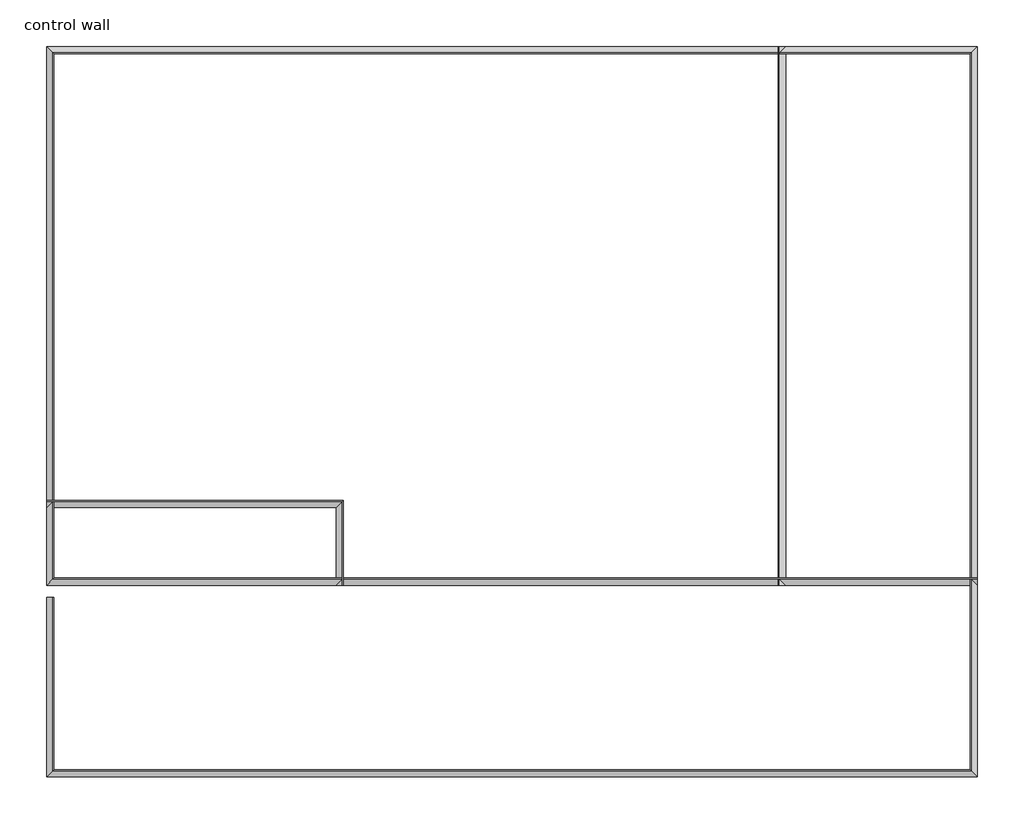
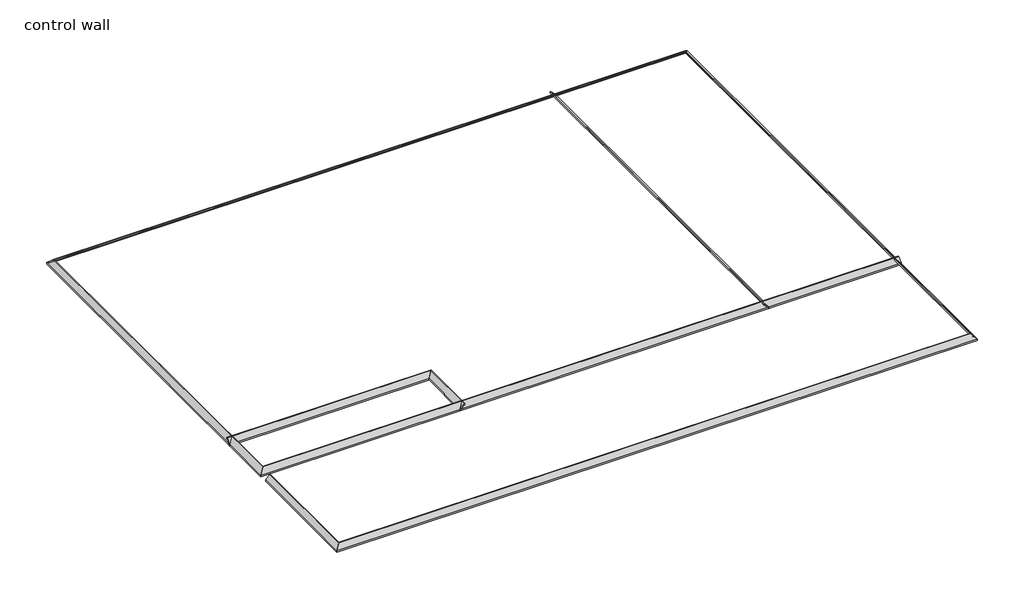
# One storey: 9 proxies.
"""IFC4 building model written with IfcOpenShell, lengths in millimetres."""

from ifc_helpers import new_model, si_unit, point, frame, frame_2d, origin, place, context, project, spatial, polyline, circle_curve, ellipse_curve, trimmed, segment, composite_curve, outline, extrude, element, save
from ifc_brep_helpers import plane_surface, cylinder_surface, revolved_surface, advanced_brep

model = new_model("IFC4")

# Units and contexts
model_context = context("Model", 3, world=origin())
ifc_project = project(units=[si_unit("LENGTHUNIT", "METRE", prefix="MILLI")], contexts=[model_context])

# Site, building, storey
site = spatial("IfcSite", under=ifc_project)
building = spatial("IfcBuilding", under=site)
storey = spatial("IfcBuildingStorey", under=building, Name="control wall", Elevation=2133.6)

# Proxies
placement = place(None, origin())
element("IfcBuildingElementProxy", 1, Name="Wall Sweeps", at=placement, inside=storey, context=model_context, shape_type="AdvancedBrep", body=[
    advanced_brep(
    [(3665.5941977, 1820.4834573, 2982.9793892), (3600.5735869, 1755.4628465, 3048.0), (3592.4708889, 1747.3601485, 3048.0), (3592.4708889, 1747.3601485, 3028.95), (3602.0941977, 1756.9834573, 3028.95), (3622.6188776, 1777.5081372, 3008.4253202), (3643.1435574, 1798.032817, 2987.9006403), (3643.1435574, 1798.032817, 2981.5506403), (3656.6139416, 1811.5032012, 2968.0802561), (3656.6139416, 1811.5032012, 2959.1), (3665.5941977, 1820.4834573, 2959.1), (-5808.6058023, 1820.4834573, 2982.9793892), (-5808.6058023, 1820.4834573, 2959.1), (-5799.6255461, 1811.5032012, 2959.1), (-5799.6255461, 1811.5032012, 2968.0802561), (-5786.155162, 1798.032817, 2981.5506403), (-5786.155162, 1798.032817, 2987.9006403), (-5765.6304821, 1777.5081372, 3008.4253202), (-5745.1058023, 1756.9834573, 3028.95), (-5735.4824935, 1747.3601485, 3028.95), (-5735.4824935, 1747.3601485, 3048.0), (-5743.5851914, 1755.4628465, 3048.0)],
    [
        (0, 1),
        (1, 2),
        (2, 3),
        (3, 4),
        (4, 5, ellipse_curve(frame((3602.0941977, 1756.9834573, 3008.4253202), z_axis=(-0.7071067811865458, 0.7071067811865493, 0.0), x_axis=(-0.7071067811865491, -0.7071067811865458, 0.0)), 29.0262806, 20.5246798)),
        (5, 6, ellipse_curve(frame((3643.1435574, 1798.032817, 3008.4253202), z_axis=(0.7071067811865458, -0.7071067811865493, 0.0), x_axis=(0.7071067811865491, 0.7071067811865458, 0.0)), 29.0262806, 20.5246798)),
        (6, 7),
        (7, 8, ellipse_curve(frame((3643.1435574, 1798.032817, 2968.0802561), z_axis=(-0.7071067811865458, 0.7071067811865493, 0.0), x_axis=(-0.7071067811865491, -0.7071067811865458, 0.0)), 19.05, 13.4703842)),
        (8, 9),
        (9, 10),
        (10, 0),
        (11, 12),
        (12, 13),
        (13, 14),
        (14, 15, ellipse_curve(frame((-5786.155162, 1798.032817, 2968.0802561), z_axis=(0.7071067811865489, 0.7071067811865462, 0.0), x_axis=(-0.7071067811865461, 0.7071067811865489, 0.0)), 19.05, 13.4703842)),
        (15, 16),
        (16, 17, ellipse_curve(frame((-5786.155162, 1798.032817, 3008.4253202), z_axis=(-0.7071067811865489, -0.7071067811865462, 0.0), x_axis=(0.7071067811865461, -0.7071067811865489, 0.0)), 29.0262806, 20.5246798)),
        (17, 18, ellipse_curve(frame((-5745.1058023, 1756.9834573, 3008.4253202), z_axis=(0.7071067811865489, 0.7071067811865462, 0.0), x_axis=(-0.7071067811865461, 0.7071067811865489, 0.0)), 29.0262806, 20.5246798)),
        (18, 19),
        (19, 20),
        (20, 21),
        (21, 11),
        (1, 21),
        (20, 2),
        (10, 12),
        (11, 0),
        (19, 3),
        (18, 4),
        (17, 5),
        (16, 6),
        (15, 7),
        (14, 8),
        (13, 9),
    ],
    [
        plane_surface(frame((3665.5941977, 1820.4834573, 2654.3), z_axis=(0.7071067811865458, -0.7071067811865493, 0.0), x_axis=(-0.7071067811865493, -0.7071067811865458, 0.0))),
        plane_surface(frame((-5808.6058023, 1820.4834573, 2654.3), z_axis=(-0.7071067811865489, -0.7071067811865462, 0.0), x_axis=(0.7071067811865462, -0.7071067811865489, 0.0))),
        plane_surface(frame((3600.5735869, 1755.4628465, 3048.0), z_axis=(0.0, 0.0, 1.0), x_axis=(-1.0, 0.0, 0.0))),
        plane_surface(frame((3665.5941977, 1820.4834573, 2959.1), z_axis=(0.0, 1.0, 0.0), x_axis=(-1.0, 0.0, 0.0))),
        plane_surface(frame((3665.5941977, 1820.4834573, 2982.9793892), z_axis=(0.0, 0.707106781186547, 0.707106781186548), x_axis=(-1.0, 0.0, 0.0))),
        plane_surface(frame((3592.4708889, 1747.3601485, 3048.0), z_axis=(0.0, -1.0, 0.0), x_axis=(-1.0, 0.0, 0.0))),
        plane_surface(frame((3592.4708889, 1747.3601485, 3028.95), z_axis=(0.0, 0.0, -1.0), x_axis=(-1.0, 0.0, 0.0))),
        revolved_surface(polyline([(-5765.630482144885, 1736.4587775, 3008.4253202), (3622.6188776, 1736.4587775, 3008.4253202)]), (3665.5941977, 1756.9834573, 3008.4253202), (-1.0, 0.0, 0.0)),
        cylinder_surface(frame((3665.5941977, 1798.032817, 3008.4253202), z_axis=(1.0, 0.0, 0.0), x_axis=(0.0, -1.0, 0.0)), 20.5246798),
        plane_surface(frame((3643.1435574, 1798.032817, 2987.9006403), z_axis=(0.0, -1.0, 0.0), x_axis=(-1.0, 0.0, 0.0))),
        revolved_surface(polyline([(-5799.625546181604, 1784.5624328000001, 2968.0802561), (3656.6139416, 1784.5624328000001, 2968.0802561)]), (3665.5941977, 1798.032817, 2968.0802561), (-1.0, 0.0, 0.0)),
        plane_surface(frame((3656.6139416, 1811.5032012, 2968.0802561), z_axis=(0.0, -1.0, 0.0), x_axis=(-1.0, 0.0, 0.0))),
        plane_surface(frame((3656.6139416, 1811.5032012, 2959.1), z_axis=(0.0, 0.0, -1.0), x_axis=(-1.0, 0.0, 0.0))),
    ],
    [
        (0, [[1, 2, 3, 4, 5, 6, 7, 8, 9, 10, 11]]),
        (1, [[12, 13, 14, 15, 16, 17, 18, 19, 20, 21, 22]]),
        (2, [[-2, 23, -21, 24]]),
        (3, [[-11, 25, -12, 26]]),
        (4, [[-1, -26, -22, -23]]),
        (5, [[-3, -24, -20, 27]]),
        (6, [[-4, -27, -19, 28]]),
        (7, [[-5, -28, -18, 29]]),
        (8, [[-6, -29, -17, 30]]),
        (9, [[-7, -30, -16, 31]]),
        (10, [[-8, -31, -15, 32]]),
        (11, [[-9, -32, -14, 33]]),
        (12, [[-10, -33, -13, -25]]),
    ],
),
])
element("IfcBuildingElementProxy", 2, Name="Wall Sweeps", at=placement, inside=storey, context=model_context, shape_type="AdvancedBrep", body=[
    advanced_brep(
    [(-5808.6058023, 1820.4834573, 2982.9793892), (-5743.5851914, 1755.4628465, 3048.0), (-5735.4824935, 1747.3601485, 3048.0), (-5735.4824935, 1747.3601485, 3028.95), (-5745.1058023, 1756.9834573, 3028.95), (-5765.6304821, 1777.5081372, 3008.4253202), (-5786.155162, 1798.032817, 2987.9006403), (-5786.155162, 1798.032817, 2981.5506403), (-5799.6255461, 1811.5032012, 2968.0802561), (-5799.6255461, 1811.5032012, 2959.1), (-5808.6058023, 1820.4834573, 2959.1), (-5808.6058023, -3665.9165427, 2982.9793892), (-5808.6058023, -3665.9165427, 2959.1), (-5799.6255461, -3656.9362866, 2959.1), (-5799.6255461, -3656.9362866, 2968.0802561), (-5786.155162, -3643.4659024, 2981.5506403), (-5786.155162, -3643.4659024, 2987.9006403), (-5765.6304821, -3622.9412225, 3008.4253202), (-5745.1058023, -3602.4165427, 3028.95), (-5735.4824935, -3592.7932339, 3028.95), (-5735.4824935, -3592.7932339, 3048.0), (-5743.5851914, -3600.8959319, 3048.0)],
    [
        (0, 1),
        (1, 2),
        (2, 3),
        (3, 4),
        (4, 5, ellipse_curve(frame((-5745.1058023, 1756.9834573, 3008.4253202), z_axis=(-0.7071067811865489, -0.7071067811865462, 0.0), x_axis=(0.7071067811865464, -0.7071067811865487, 0.0)), 29.0262806, 20.5246798)),
        (5, 6, ellipse_curve(frame((-5786.155162, 1798.032817, 3008.4253202), z_axis=(0.7071067811865489, 0.7071067811865462, 0.0), x_axis=(-0.7071067811865464, 0.7071067811865487, 0.0)), 29.0262806, 20.5246798)),
        (6, 7),
        (7, 8, ellipse_curve(frame((-5786.155162, 1798.032817, 2968.0802561), z_axis=(-0.7071067811865489, -0.7071067811865462, 0.0), x_axis=(0.7071067811865464, -0.7071067811865487, 0.0)), 19.05, 13.4703842)),
        (8, 9),
        (9, 10),
        (10, 0),
        (11, 12),
        (12, 13),
        (13, 14),
        (14, 15, ellipse_curve(frame((-5786.155162, -3643.4659024, 2968.0802561), z_axis=(-0.7071067811865458, 0.7071067811865493, 0.0), x_axis=(-0.7071067811865492, -0.7071067811865457, 0.0)), 19.05, 13.4703842)),
        (15, 16),
        (16, 17, ellipse_curve(frame((-5786.155162, -3643.4659024, 3008.4253202), z_axis=(0.7071067811865458, -0.7071067811865493, 0.0), x_axis=(0.7071067811865492, 0.7071067811865457, 0.0)), 29.0262806, 20.5246798)),
        (17, 18, ellipse_curve(frame((-5745.1058023, -3602.4165427, 3008.4253202), z_axis=(-0.7071067811865458, 0.7071067811865493, 0.0), x_axis=(-0.7071067811865492, -0.7071067811865457, 0.0)), 29.0262806, 20.5246798)),
        (18, 19),
        (19, 20),
        (20, 21),
        (21, 11),
        (1, 21),
        (20, 2),
        (10, 12),
        (11, 0),
        (19, 3),
        (18, 4),
        (17, 5),
        (16, 6),
        (15, 7),
        (14, 8),
        (13, 9),
    ],
    [
        plane_surface(frame((-5808.6058023, 1820.4834573, 2654.3), z_axis=(0.7071067811865489, 0.7071067811865462, 0.0), x_axis=(0.7071067811865462, -0.7071067811865489, 0.0))),
        plane_surface(frame((-5808.6058023, -3665.9165427, 2654.3), z_axis=(0.7071067811865458, -0.7071067811865493, 0.0), x_axis=(0.7071067811865493, 0.7071067811865458, 0.0))),
        plane_surface(frame((-5743.5851914, 1755.4628465, 3048.0), z_axis=(0.0, 0.0, 1.0), x_axis=(0.0, -1.0, 0.0))),
        plane_surface(frame((-5808.6058023, 1820.4834573, 2959.1), z_axis=(-1.0, 0.0, 0.0), x_axis=(0.0, -1.0, 0.0))),
        plane_surface(frame((-5808.6058023, 1820.4834573, 2982.9793892), z_axis=(-0.707106781186547, 0.0, 0.707106781186548), x_axis=(0.0, -1.0, 0.0))),
        plane_surface(frame((-5735.4824935, 1747.3601485, 3048.0), z_axis=(1.0, 0.0, 0.0), x_axis=(0.0, -1.0, 0.0))),
        plane_surface(frame((-5735.4824935, 1747.3601485, 3028.95), z_axis=(0.0, 0.0, -1.0), x_axis=(0.0, -1.0, 0.0))),
        revolved_surface(polyline([(-5724.5811225, -3622.941222544883, 3008.4253202), (-5724.5811225, 1777.5081372, 3008.4253202)]), (-5745.1058023, 1820.4834573, 3008.4253202), (0.0, -1.0, 0.0)),
        cylinder_surface(frame((-5786.155162, 1820.4834573, 3008.4253202), z_axis=(0.0, 1.0, 0.0), x_axis=(1.0, 0.0, 0.0)), 20.5246798),
        plane_surface(frame((-5786.155162, 1798.032817, 2987.9006403), z_axis=(1.0, 0.0, 0.0), x_axis=(0.0, -1.0, 0.0))),
        revolved_surface(polyline([(-5772.6847778, -3656.9362866, 2968.0802561), (-5772.6847778, 1811.5032012, 2968.0802561)]), (-5786.155162, 1820.4834573, 2968.0802561), (0.0, -1.0, 0.0)),
        plane_surface(frame((-5799.6255461, 1811.5032012, 2968.0802561), z_axis=(1.0, 0.0, 0.0), x_axis=(0.0, -1.0, 0.0))),
        plane_surface(frame((-5799.6255461, 1811.5032012, 2959.1), z_axis=(0.0, 0.0, -1.0), x_axis=(0.0, -1.0, 0.0))),
    ],
    [
        (0, [[1, 2, 3, 4, 5, 6, 7, 8, 9, 10, 11]]),
        (1, [[12, 13, 14, 15, 16, 17, 18, 19, 20, 21, 22]]),
        (2, [[-2, 23, -21, 24]]),
        (3, [[-11, 25, -12, 26]]),
        (4, [[-1, -26, -22, -23]]),
        (5, [[-3, -24, -20, 27]]),
        (6, [[-4, -27, -19, 28]]),
        (7, [[-5, -28, -18, 29]]),
        (8, [[-6, -29, -17, 30]]),
        (9, [[-7, -30, -16, 31]]),
        (10, [[-8, -31, -15, 32]]),
        (11, [[-9, -32, -14, 33]]),
        (12, [[-10, -33, -13, -25]]),
    ],
),
])
element("IfcBuildingElementProxy", 3, Name="Wall Sweeps", at=placement, inside=storey, context=model_context, shape_type="AdvancedBrep", body=[
    advanced_brep(
    [(3665.5941977, -5618.5415427, 2982.9793892), (3665.5941977, -5618.5415427, 2959.1), (3656.6139416, -5609.5612866, 2959.1), (3656.6139416, -5609.5612866, 2968.0802561), (3643.1435574, -5596.0909024, 2981.5506403), (3643.1435574, -5596.0909024, 2987.9006403), (3622.6188776, -5575.5662225, 3008.4253202), (3602.0941977, -5555.0415427, 3028.95), (3592.4708889, -5545.4182339, 3028.95), (3592.4708889, -5545.4182339, 3048.0), (3600.5735869, -5553.5209319, 3048.0), (-5808.7799708, -5618.5415427, 2982.9793892), (-5743.7593599, -5553.5209319, 3048.0), (-5735.656662, -5545.4182339, 3048.0), (-5735.656662, -5545.4182339, 3028.95), (-5745.2799708, -5555.0415427, 3028.95), (-5765.8046506, -5575.5662225, 3008.4253202), (-5786.3293305, -5596.0909024, 2987.9006403), (-5786.3293305, -5596.0909024, 2981.5506403), (-5799.7997146, -5609.5612866, 2968.0802561), (-5799.7997146, -5609.5612866, 2959.1), (-5808.7799708, -5618.5415427, 2959.1)],
    [
        (0, 1),
        (1, 2),
        (2, 3),
        (3, 4, ellipse_curve(frame((3643.1435574, -5596.0909024, 2968.0802561), z_axis=(-0.7071067811865493, -0.7071067811865458, 0.0), x_axis=(-0.7071067811865457, 0.7071067811865495, 0.0)), 19.05, 13.4703842)),
        (4, 5),
        (5, 6, ellipse_curve(frame((3643.1435574, -5596.0909024, 3008.4253202), z_axis=(0.7071067811865493, 0.7071067811865458, 0.0), x_axis=(0.7071067811865457, -0.7071067811865495, 0.0)), 29.0262806, 20.5246798)),
        (6, 7, ellipse_curve(frame((3602.0941977, -5555.0415427, 3008.4253202), z_axis=(-0.7071067811865493, -0.7071067811865458, 0.0), x_axis=(-0.7071067811865457, 0.7071067811865495, 0.0)), 29.0262806, 20.5246798)),
        (7, 8),
        (8, 9),
        (9, 10),
        (10, 0),
        (11, 12),
        (12, 13),
        (13, 14),
        (14, 15),
        (15, 16, ellipse_curve(frame((-5745.2799708, -5555.0415427, 3008.4253202), z_axis=(0.7071067811865458, -0.7071067811865493, 0.0), x_axis=(-0.7071067811865492, -0.7071067811865457, 0.0)), 29.0262806, 20.5246798)),
        (16, 17, ellipse_curve(frame((-5786.3293305, -5596.0909024, 3008.4253202), z_axis=(-0.7071067811865458, 0.7071067811865493, 0.0), x_axis=(0.7071067811865492, 0.7071067811865457, 0.0)), 29.0262806, 20.5246798)),
        (17, 18),
        (18, 19, ellipse_curve(frame((-5786.3293305, -5596.0909024, 2968.0802561), z_axis=(0.7071067811865458, -0.7071067811865493, 0.0), x_axis=(-0.7071067811865492, -0.7071067811865457, 0.0)), 19.05, 13.4703842)),
        (19, 20),
        (20, 21),
        (21, 11),
        (0, 11),
        (21, 1),
        (9, 13),
        (12, 10),
        (20, 2),
        (19, 3),
        (18, 4),
        (17, 5),
        (16, 6),
        (15, 7),
        (14, 8),
    ],
    [
        plane_surface(frame((3665.5941977, -5618.5415427, 3263.9), z_axis=(0.7071067811865493, 0.7071067811865458, 0.0), x_axis=(-0.7071067811865458, 0.7071067811865493, 0.0))),
        plane_surface(frame((-5808.7799708, -5618.5415427, 3263.9), z_axis=(-0.7071067811865458, 0.7071067811865493, 0.0), x_axis=(0.7071067811865493, 0.7071067811865458, 0.0))),
        plane_surface(frame((3665.5941977, -5618.5415427, 2982.9793892), z_axis=(0.0, -1.0, 0.0), x_axis=(-1.0, 0.0, 0.0))),
        plane_surface(frame((3592.4708889, -5545.4182339, 3048.0), z_axis=(0.0, 0.0, 1.0), x_axis=(-1.0, 0.0, 0.0))),
        plane_surface(frame((3665.5941977, -5618.5415427, 2959.1), z_axis=(0.0, 0.0, -1.0), x_axis=(-1.0, 0.0, 0.0))),
        plane_surface(frame((3656.6139416, -5609.5612866, 2959.1), z_axis=(0.0, 1.0, 0.0), x_axis=(-1.0, 0.0, 0.0))),
        revolved_surface(polyline([(-5799.799714681605, -5582.6205182, 2968.0802561), (3656.6139416, -5582.6205182, 2968.0802561)]), (3665.5941977, -5596.0909024, 2968.0802561), (-1.0, 0.0, 0.0)),
        plane_surface(frame((3643.1435574, -5596.0909024, 2981.5506403), z_axis=(0.0, 1.0, 0.0), x_axis=(-1.0, 0.0, 0.0))),
        cylinder_surface(frame((3665.5941977, -5596.0909024, 3008.4253202), z_axis=(1.0, 0.0, 0.0), x_axis=(0.0, 1.0, 0.0)), 20.5246798),
        revolved_surface(polyline([(-5765.8046506448845, -5534.5168629, 3008.4253202), (3622.6188776, -5534.5168629, 3008.4253202)]), (3665.5941977, -5555.0415427, 3008.4253202), (-1.0, 0.0, 0.0)),
        plane_surface(frame((3602.0941977, -5555.0415427, 3028.95), z_axis=(0.0, 0.0, -1.0), x_axis=(-1.0, 0.0, 0.0))),
        plane_surface(frame((3592.4708889, -5545.4182339, 3028.95), z_axis=(0.0, 1.0, 0.0), x_axis=(-1.0, 0.0, 0.0))),
        plane_surface(frame((3600.5735869, -5553.5209319, 3048.0), z_axis=(0.0, -0.707106781186547, 0.707106781186548), x_axis=(-1.0, 0.0, 0.0))),
    ],
    [
        (0, [[1, 2, 3, 4, 5, 6, 7, 8, 9, 10, 11]]),
        (1, [[12, 13, 14, 15, 16, 17, 18, 19, 20, 21, 22]]),
        (2, [[-1, 23, -22, 24]]),
        (3, [[-10, 25, -13, 26]]),
        (4, [[-2, -24, -21, 27]]),
        (5, [[-3, -27, -20, 28]]),
        (6, [[-4, -28, -19, 29]]),
        (7, [[-5, -29, -18, 30]]),
        (8, [[-6, -30, -17, 31]]),
        (9, [[-7, -31, -16, 32]]),
        (10, [[-8, -32, -15, 33]]),
        (11, [[-9, -33, -14, -25]]),
        (12, [[-11, -26, -12, -23]]),
    ],
),
])
element("IfcBuildingElementProxy", 4, Name="Wall Sweeps", at=placement, inside=storey, context=model_context, shape_type="AdvancedBrep", body=[
    advanced_brep(
    [(-5808.7799708, -5618.5415427, 2982.9793892), (-5808.7799708, -5618.5415427, 2959.1), (-5799.7997146, -5609.5612866, 2959.1), (-5799.7997146, -5609.5612866, 2968.0802561), (-5786.3293305, -5596.0909024, 2981.5506403), (-5786.3293305, -5596.0909024, 2987.9006403), (-5765.8046506, -5575.5662225, 3008.4253202), (-5745.2799708, -5555.0415427, 3028.95), (-5735.656662, -5545.4182339, 3028.95), (-5735.656662, -5545.4182339, 3048.0), (-5743.7593599, -5553.5209319, 3048.0), (-5808.7799708, -3789.7415427, 2982.9793892), (-5743.7593599, -3789.7415427, 3048.0), (-5735.656662, -3789.7415427, 3048.0), (-5735.656662, -3789.7415427, 3028.95), (-5745.2799708, -3789.7415427, 3028.95), (-5765.8046506, -3789.7415427, 3008.4253202), (-5786.3293305, -3789.7415427, 2987.9006403), (-5786.3293305, -3789.7415427, 2981.5506403), (-5799.7997146, -3789.7415427, 2968.0802561), (-5799.7997146, -3789.7415427, 2959.1), (-5808.7799708, -3789.7415427, 2959.1)],
    [
        (0, 1),
        (1, 2),
        (2, 3),
        (3, 4, ellipse_curve(frame((-5786.3293305, -5596.0909024, 2968.0802561), z_axis=(-0.7071067811865458, 0.7071067811865493, 0.0), x_axis=(0.7071067811865495, 0.7071067811865457, 0.0)), 19.05, 13.4703842)),
        (4, 5),
        (5, 6, ellipse_curve(frame((-5786.3293305, -5596.0909024, 3008.4253202), z_axis=(0.7071067811865458, -0.7071067811865493, 0.0), x_axis=(-0.7071067811865495, -0.7071067811865457, 0.0)), 29.0262806, 20.5246798)),
        (6, 7, ellipse_curve(frame((-5745.2799708, -5555.0415427, 3008.4253202), z_axis=(-0.7071067811865458, 0.7071067811865493, 0.0), x_axis=(0.7071067811865495, 0.7071067811865457, 0.0)), 29.0262806, 20.5246798)),
        (7, 8),
        (8, 9),
        (9, 10),
        (10, 0),
        (11, 12),
        (12, 13),
        (13, 14),
        (14, 15),
        (15, 16, circle_curve(frame((-5745.2799708, -3789.7415427, 3008.4253202), z_axis=(0.0, -1.0, 0.0), x_axis=(1.0, 0.0, 0.0)), 20.5246798)),
        (16, 17, circle_curve(frame((-5786.3293305, -3789.7415427, 3008.4253202), z_axis=(0.0, 1.0, 0.0), x_axis=(1.0, 0.0, 0.0)), 20.5246798)),
        (17, 18),
        (18, 19, circle_curve(frame((-5786.3293305, -3789.7415427, 2968.0802561), z_axis=(0.0, -1.0, 0.0), x_axis=(1.0, 0.0, 0.0)), 13.4703842)),
        (19, 20),
        (20, 21),
        (21, 11),
        (0, 11),
        (21, 1),
        (9, 13),
        (12, 10),
        (20, 2),
        (19, 3),
        (18, 4),
        (17, 5),
        (16, 6),
        (15, 7),
        (14, 8),
    ],
    [
        plane_surface(frame((-5808.7799708, -5618.5415427, 3263.9), z_axis=(0.7071067811865458, -0.7071067811865493, 0.0), x_axis=(0.7071067811865493, 0.7071067811865458, 0.0))),
        plane_surface(frame((-5923.8896067, -3789.7415427, 2959.1), z_axis=(0.0, 1.0, 0.0), x_axis=(0.0, 0.0, 1.0))),
        plane_surface(frame((-5808.7799708, -5618.5415427, 2982.9793892), z_axis=(-1.0, 0.0, 0.0), x_axis=(0.0, 1.0, 0.0))),
        plane_surface(frame((-5735.656662, -5545.4182339, 3048.0), z_axis=(0.0, 0.0, 1.0), x_axis=(0.0, 1.0, 0.0))),
        plane_surface(frame((-5808.7799708, -5618.5415427, 2959.1), z_axis=(0.0, 0.0, -1.0), x_axis=(0.0, 1.0, 0.0))),
        plane_surface(frame((-5799.7997146, -5609.5612866, 2959.1), z_axis=(1.0, 0.0, 0.0), x_axis=(0.0, 1.0, 0.0))),
        revolved_surface(polyline([(-5772.8589463, -3789.7415427, 2968.0802561), (-5772.8589463, -5609.5612866, 2968.0802561)]), (-5786.3293305, -5618.5415427, 2968.0802561), (0.0, 1.0, 0.0)),
        plane_surface(frame((-5786.3293305, -5596.0909024, 2981.5506403), z_axis=(1.0, 0.0, 0.0), x_axis=(0.0, 1.0, 0.0))),
        cylinder_surface(frame((-5786.3293305, -5618.5415427, 3008.4253202), z_axis=(0.0, -1.0, 0.0), x_axis=(1.0, 0.0, 0.0)), 20.5246798),
        revolved_surface(polyline([(-5724.755291, -3789.7415427, 3008.4253202), (-5724.755291, -5575.566222544883, 3008.4253202)]), (-5745.2799708, -5618.5415427, 3008.4253202), (0.0, 1.0, 0.0)),
        plane_surface(frame((-5745.2799708, -5555.0415427, 3028.95), z_axis=(0.0, 0.0, -1.0), x_axis=(0.0, 1.0, 0.0))),
        plane_surface(frame((-5735.656662, -5545.4182339, 3028.95), z_axis=(1.0, 0.0, 0.0), x_axis=(0.0, 1.0, 0.0))),
        plane_surface(frame((-5743.7593599, -5553.5209319, 3048.0), z_axis=(-0.707106781186547, 0.0, 0.707106781186548), x_axis=(0.0, 1.0, 0.0))),
    ],
    [
        (0, [[1, 2, 3, 4, 5, 6, 7, 8, 9, 10, 11]]),
        (1, [[12, 13, 14, 15, 16, 17, 18, 19, 20, 21, 22]]),
        (2, [[-1, 23, -22, 24]]),
        (3, [[-10, 25, -13, 26]]),
        (4, [[-2, -24, -21, 27]]),
        (5, [[-3, -27, -20, 28]]),
        (6, [[-4, -28, -19, 29]]),
        (7, [[-5, -29, -18, 30]]),
        (8, [[-6, -30, -17, 31]]),
        (9, [[-7, -31, -16, 32]]),
        (10, [[-8, -32, -15, 33]]),
        (11, [[-9, -33, -14, -25]]),
        (12, [[-11, -26, -12, -23]]),
    ],
),
])
element("IfcBuildingElementProxy", 5, Name="Wall Sweeps", at=placement, inside=storey, context=model_context, shape_type="AdvancedBrep", body=[
    advanced_brep(
    [(-5808.6058023, -2875.3415427, 2982.9793892), (-5808.6058023, -2810.3209319, 3048.0), (-5808.6058023, -2802.2182339, 3048.0), (-5808.6058023, -2802.2182339, 3028.95), (-5808.6058023, -2811.8415427, 3028.95), (-5808.6058023, -2832.3662225, 3008.4253202), (-5808.6058023, -2852.8909024, 2987.9006403), (-5808.6058023, -2852.8909024, 2981.5506403), (-5808.6058023, -2866.3612866, 2968.0802561), (-5808.6058023, -2866.3612866, 2959.1), (-5808.6058023, -2875.3415427, 2959.1), (-2862.2058023, -2875.3415427, 2982.9793892), (-2862.2058023, -2875.3415427, 2959.1), (-2853.2255461, -2866.3612866, 2959.1), (-2853.2255461, -2866.3612866, 2968.0802561), (-2839.755162, -2852.8909024, 2981.5506403), (-2839.755162, -2852.8909024, 2987.9006403), (-2819.2304821, -2832.3662225, 3008.4253202), (-2798.7058023, -2811.8415427, 3028.95), (-2789.0824935, -2802.2182339, 3028.95), (-2789.0824935, -2802.2182339, 3048.0), (-2797.1851914, -2810.3209319, 3048.0)],
    [
        (0, 1),
        (1, 2),
        (2, 3),
        (3, 4),
        (4, 5, circle_curve(frame((-5808.6058023, -2811.8415427, 3008.4253202), z_axis=(1.0, 0.0, 0.0), x_axis=(0.0, 1.0, 0.0)), 20.5246798)),
        (5, 6, circle_curve(frame((-5808.6058023, -2852.8909024, 3008.4253202), z_axis=(-1.0, 0.0, 0.0), x_axis=(0.0, 1.0, 0.0)), 20.5246798)),
        (6, 7),
        (7, 8, circle_curve(frame((-5808.6058023, -2852.8909024, 2968.0802561), z_axis=(1.0, 0.0, 0.0), x_axis=(0.0, 1.0, 0.0)), 13.4703842)),
        (8, 9),
        (9, 10),
        (10, 0),
        (11, 12),
        (12, 13),
        (13, 14),
        (14, 15, ellipse_curve(frame((-2839.755162, -2852.8909024, 2968.0802561), z_axis=(-0.7071067811865458, 0.7071067811865493, 0.0), x_axis=(0.7071067811865492, 0.7071067811865458, 0.0)), 19.05, 13.4703842)),
        (15, 16),
        (16, 17, ellipse_curve(frame((-2839.755162, -2852.8909024, 3008.4253202), z_axis=(0.7071067811865458, -0.7071067811865493, 0.0), x_axis=(-0.7071067811865492, -0.7071067811865458, 0.0)), 29.0262806, 20.5246798)),
        (17, 18, ellipse_curve(frame((-2798.7058023, -2811.8415427, 3008.4253202), z_axis=(-0.7071067811865458, 0.7071067811865493, 0.0), x_axis=(0.7071067811865492, 0.7071067811865458, 0.0)), 29.0262806, 20.5246798)),
        (18, 19),
        (19, 20),
        (20, 21),
        (21, 11),
        (1, 21),
        (20, 2),
        (10, 12),
        (11, 0),
        (19, 3),
        (18, 4),
        (17, 5),
        (16, 6),
        (15, 7),
        (14, 8),
        (13, 9),
    ],
    [
        plane_surface(frame((-5808.6058023, -2875.3415427, 2843.990364), z_axis=(-1.0, 0.0, 0.0), x_axis=(0.0, 1.0, 0.0))),
        plane_surface(frame((-2862.2058023, -2875.3415427, 3263.9), z_axis=(0.7071067811865458, -0.7071067811865493, 0.0), x_axis=(-0.7071067811865493, -0.7071067811865458, 0.0))),
        plane_surface(frame((-5808.6058023, -2810.3209319, 3048.0), z_axis=(0.0, 0.0, 1.0), x_axis=(1.0, 0.0, 0.0))),
        plane_surface(frame((-5808.6058023, -2875.3415427, 2959.1), z_axis=(0.0, -1.0, 0.0), x_axis=(1.0, 0.0, 0.0))),
        plane_surface(frame((-5808.6058023, -2875.3415427, 2982.9793892), z_axis=(0.0, -0.707106781186547, 0.707106781186548), x_axis=(1.0, 0.0, 0.0))),
        plane_surface(frame((-5808.6058023, -2802.2182339, 3048.0), z_axis=(0.0, 1.0, 0.0), x_axis=(1.0, 0.0, 0.0))),
        plane_surface(frame((-5808.6058023, -2802.2182339, 3028.95), z_axis=(0.0, 0.0, -1.0), x_axis=(1.0, 0.0, 0.0))),
        revolved_surface(polyline([(-2778.1811224551166, -2791.3168629, 3008.4253202), (-5808.6058023, -2791.3168629, 3008.4253202)]), (-5808.6058023, -2811.8415427, 3008.4253202), (1.0, 0.0, 0.0)),
        cylinder_surface(frame((-5808.6058023, -2852.8909024, 3008.4253202), z_axis=(-1.0, 0.0, 0.0), x_axis=(0.0, 1.0, 0.0)), 20.5246798),
        plane_surface(frame((-5808.6058023, -2852.8909024, 2987.9006403), z_axis=(0.0, 1.0, 0.0), x_axis=(1.0, 0.0, 0.0))),
        revolved_surface(polyline([(-2826.2847778183964, -2839.4205182, 2968.0802561), (-5808.6058023, -2839.4205182, 2968.0802561)]), (-5808.6058023, -2852.8909024, 2968.0802561), (1.0, 0.0, 0.0)),
        plane_surface(frame((-5808.6058023, -2866.3612866, 2968.0802561), z_axis=(0.0, 1.0, 0.0), x_axis=(1.0, 0.0, 0.0))),
        plane_surface(frame((-5808.6058023, -2866.3612866, 2959.1), z_axis=(0.0, 0.0, -1.0), x_axis=(1.0, 0.0, 0.0))),
    ],
    [
        (0, [[1, 2, 3, 4, 5, 6, 7, 8, 9, 10, 11]]),
        (1, [[12, 13, 14, 15, 16, 17, 18, 19, 20, 21, 22]]),
        (2, [[-2, 23, -21, 24]]),
        (3, [[-11, 25, -12, 26]]),
        (4, [[-1, -26, -22, -23]]),
        (5, [[-3, -24, -20, 27]]),
        (6, [[-4, -27, -19, 28]]),
        (7, [[-5, -28, -18, 29]]),
        (8, [[-6, -29, -17, 30]]),
        (9, [[-7, -30, -16, 31]]),
        (10, [[-8, -31, -15, 32]]),
        (11, [[-9, -32, -14, 33]]),
        (12, [[-10, -33, -13, -25]]),
    ],
),
])
element("IfcBuildingElementProxy", 6, Name="Wall Sweeps", at=placement, inside=storey, context=model_context, shape_type="AdvancedBrep", body=[
    advanced_brep(
    [(-2862.2058023, -2875.3415427, 2982.9793892), (-2797.1851914, -2810.3209319, 3048.0), (-2789.0824935, -2802.2182339, 3048.0), (-2789.0824935, -2802.2182339, 3028.95), (-2798.7058023, -2811.8415427, 3028.95), (-2819.2304821, -2832.3662225, 3008.4253202), (-2839.755162, -2852.8909024, 2987.9006403), (-2839.755162, -2852.8909024, 2981.5506403), (-2853.2255461, -2866.3612866, 2968.0802561), (-2853.2255461, -2866.3612866, 2959.1), (-2862.2058023, -2875.3415427, 2959.1), (-2862.2058023, -3665.9165427, 2982.9793892), (-2862.2058023, -3665.9165427, 2959.1), (-2853.2255461, -3665.9165427, 2959.1), (-2853.2255461, -3665.9165427, 2968.0802561), (-2839.755162, -3665.9165427, 2981.5506403), (-2839.755162, -3665.9165427, 2987.9006403), (-2819.2304821, -3665.9165427, 3008.4253202), (-2798.7058023, -3665.9165427, 3028.95), (-2789.0824935, -3665.9165427, 3028.95), (-2789.0824935, -3665.9165427, 3048.0), (-2797.1851914, -3665.9165427, 3048.0)],
    [
        (0, 1),
        (1, 2),
        (2, 3),
        (3, 4),
        (4, 5, ellipse_curve(frame((-2798.7058023, -2811.8415427, 3008.4253202), z_axis=(0.7071067811865458, -0.7071067811865493, 0.0), x_axis=(-0.7071067811865495, -0.7071067811865457, 0.0)), 29.0262806, 20.5246798)),
        (5, 6, ellipse_curve(frame((-2839.755162, -2852.8909024, 3008.4253202), z_axis=(-0.7071067811865458, 0.7071067811865493, 0.0), x_axis=(0.7071067811865495, 0.7071067811865457, 0.0)), 29.0262806, 20.5246798)),
        (6, 7),
        (7, 8, ellipse_curve(frame((-2839.755162, -2852.8909024, 2968.0802561), z_axis=(0.7071067811865458, -0.7071067811865493, 0.0), x_axis=(-0.7071067811865495, -0.7071067811865457, 0.0)), 19.05, 13.4703842)),
        (8, 9),
        (9, 10),
        (10, 0),
        (11, 12),
        (12, 13),
        (13, 14),
        (14, 15, circle_curve(frame((-2839.755162, -3665.9165427, 2968.0802561), z_axis=(0.0, 1.0, 0.0), x_axis=(1.0, 0.0, 0.0)), 13.4703842)),
        (15, 16),
        (16, 17, circle_curve(frame((-2839.755162, -3665.9165427, 3008.4253202), z_axis=(0.0, -1.0, 0.0), x_axis=(1.0, 0.0, 0.0)), 20.5246798)),
        (17, 18, circle_curve(frame((-2798.7058023, -3665.9165427, 3008.4253202), z_axis=(0.0, 1.0, 0.0), x_axis=(1.0, 0.0, 0.0)), 20.5246798)),
        (18, 19),
        (19, 20),
        (20, 21),
        (21, 11),
        (1, 21),
        (20, 2),
        (10, 12),
        (11, 0),
        (19, 3),
        (18, 4),
        (17, 5),
        (16, 6),
        (15, 7),
        (14, 8),
        (13, 9),
    ],
    [
        plane_surface(frame((-2862.2058023, -2875.3415427, 3263.9), z_axis=(-0.7071067811865458, 0.7071067811865493, 0.0), x_axis=(-0.7071067811865493, -0.7071067811865458, 0.0))),
        plane_surface(frame((-2977.3154382, -3665.9165427, 2959.1), z_axis=(0.0, -1.0, 0.0), x_axis=(0.0, 0.0, -1.0))),
        plane_surface(frame((-2797.1851914, -2810.3209319, 3048.0), z_axis=(0.0, 0.0, 1.0), x_axis=(0.0, -1.0, 0.0))),
        plane_surface(frame((-2862.2058023, -2875.3415427, 2959.1), z_axis=(-1.0, 0.0, 0.0), x_axis=(0.0, -1.0, 0.0))),
        plane_surface(frame((-2862.2058023, -2875.3415427, 2982.9793892), z_axis=(-0.707106781186547, 0.0, 0.707106781186548), x_axis=(0.0, -1.0, 0.0))),
        plane_surface(frame((-2789.0824935, -2802.2182339, 3048.0), z_axis=(1.0, 0.0, 0.0), x_axis=(0.0, -1.0, 0.0))),
        plane_surface(frame((-2789.0824935, -2802.2182339, 3028.95), z_axis=(0.0, 0.0, -1.0), x_axis=(0.0, -1.0, 0.0))),
        revolved_surface(polyline([(-2778.1811225, -3665.9165427, 3008.4253202), (-2778.1811225, -2791.3168628551166, 3008.4253202)]), (-2798.7058023, -2875.3415427, 3008.4253202), (0.0, -1.0, 0.0)),
        cylinder_surface(frame((-2839.755162, -2875.3415427, 3008.4253202), z_axis=(0.0, 1.0, 0.0), x_axis=(1.0, 0.0, 0.0)), 20.5246798),
        plane_surface(frame((-2839.755162, -2852.8909024, 2987.9006403), z_axis=(1.0, 0.0, 0.0), x_axis=(0.0, -1.0, 0.0))),
        revolved_surface(polyline([(-2826.2847778, -3665.9165427, 2968.0802561), (-2826.2847778, -2839.4205182183964, 2968.0802561)]), (-2839.755162, -2875.3415427, 2968.0802561), (0.0, -1.0, 0.0)),
        plane_surface(frame((-2853.2255461, -2866.3612866, 2968.0802561), z_axis=(1.0, 0.0, 0.0), x_axis=(0.0, -1.0, 0.0))),
        plane_surface(frame((-2853.2255461, -2866.3612866, 2959.1), z_axis=(0.0, 0.0, -1.0), x_axis=(0.0, -1.0, 0.0))),
    ],
    [
        (0, [[1, 2, 3, 4, 5, 6, 7, 8, 9, 10, 11]]),
        (1, [[12, 13, 14, 15, 16, 17, 18, 19, 20, 21, 22]]),
        (2, [[-2, 23, -21, 24]]),
        (3, [[-11, 25, -12, 26]]),
        (4, [[-1, -26, -22, -23]]),
        (5, [[-3, -24, -20, 27]]),
        (6, [[-4, -27, -19, 28]]),
        (7, [[-5, -28, -18, 29]]),
        (8, [[-6, -29, -17, 30]]),
        (9, [[-7, -30, -16, 31]]),
        (10, [[-8, -31, -15, 32]]),
        (11, [[-9, -32, -14, 33]]),
        (12, [[-10, -33, -13, -25]]),
    ],
),
])
element("IfcBuildingElementProxy", 7, Name="Wall Sweeps", at=placement, inside=storey, context=model_context, shape_type="AdvancedBrep", body=[
    advanced_brep(
    [(3665.5941977, -3665.9165427, 2982.9793892), (3665.5941977, -3665.9165427, 2959.1), (3665.5941977, -3656.9362866, 2959.1), (3665.5941977, -3656.9362866, 2968.0802561), (3665.5941977, -3643.4659024, 2981.5506403), (3665.5941977, -3643.4659024, 2987.9006403), (3665.5941977, -3622.9412225, 3008.4253202), (3665.5941977, -3602.4165427, 3028.95), (3665.5941977, -3592.7932339, 3028.95), (3665.5941977, -3592.7932339, 3048.0), (3665.5941977, -3600.8959319, 3048.0), (-5808.6058023, -3665.9165427, 2982.9793892), (-5743.5851914, -3600.8959319, 3048.0), (-5735.4824935, -3592.7932339, 3048.0), (-5735.4824935, -3592.7932339, 3028.95), (-5745.1058023, -3602.4165427, 3028.95), (-5765.6304821, -3622.9412225, 3008.4253202), (-5786.155162, -3643.4659024, 2987.9006403), (-5786.155162, -3643.4659024, 2981.5506403), (-5799.6255461, -3656.9362866, 2968.0802561), (-5799.6255461, -3656.9362866, 2959.1), (-5808.6058023, -3665.9165427, 2959.1)],
    [
        (0, 1),
        (1, 2),
        (2, 3),
        (3, 4, circle_curve(frame((3665.5941977, -3643.4659024, 2968.0802561), z_axis=(-1.0, 0.0, 0.0), x_axis=(0.0, 1.0, 0.0)), 13.4703842)),
        (4, 5),
        (5, 6, circle_curve(frame((3665.5941977, -3643.4659024, 3008.4253202), z_axis=(1.0, 0.0, 0.0), x_axis=(0.0, 1.0, 0.0)), 20.5246798)),
        (6, 7, circle_curve(frame((3665.5941977, -3602.4165427, 3008.4253202), z_axis=(-1.0, 0.0, 0.0), x_axis=(0.0, 1.0, 0.0)), 20.5246798)),
        (7, 8),
        (8, 9),
        (9, 10),
        (10, 0),
        (11, 12),
        (12, 13),
        (13, 14),
        (14, 15),
        (15, 16, ellipse_curve(frame((-5745.1058023, -3602.4165427, 3008.4253202), z_axis=(0.7071067811865458, -0.7071067811865493, 0.0), x_axis=(-0.7071067811865491, -0.7071067811865458, 0.0)), 29.0262806, 20.5246798)),
        (16, 17, ellipse_curve(frame((-5786.155162, -3643.4659024, 3008.4253202), z_axis=(-0.7071067811865458, 0.7071067811865493, 0.0), x_axis=(0.7071067811865491, 0.7071067811865458, 0.0)), 29.0262806, 20.5246798)),
        (17, 18),
        (18, 19, ellipse_curve(frame((-5786.155162, -3643.4659024, 2968.0802561), z_axis=(0.7071067811865458, -0.7071067811865493, 0.0), x_axis=(-0.7071067811865491, -0.7071067811865458, 0.0)), 19.05, 13.4703842)),
        (19, 20),
        (20, 21),
        (21, 11),
        (0, 11),
        (21, 1),
        (20, 2),
        (19, 3),
        (18, 4),
        (17, 5),
        (16, 6),
        (15, 7),
        (14, 8),
        (13, 9),
        (12, 10),
    ],
    [
        plane_surface(frame((3665.5941977, -3665.9165427, 2843.990364), z_axis=(1.0, 0.0, 0.0), x_axis=(0.0, -1.0, 0.0))),
        plane_surface(frame((-5808.6058023, -3665.9165427, 3263.9), z_axis=(-0.7071067811865458, 0.7071067811865493, 0.0), x_axis=(0.7071067811865493, 0.7071067811865458, 0.0))),
        plane_surface(frame((3665.5941977, -3665.9165427, 2982.9793892), z_axis=(0.0, -1.0, 0.0), x_axis=(-1.0, 0.0, 0.0))),
        plane_surface(frame((3665.5941977, -3665.9165427, 2959.1), z_axis=(0.0, 0.0, -1.0), x_axis=(-1.0, 0.0, 0.0))),
        plane_surface(frame((3665.5941977, -3656.9362866, 2959.1), z_axis=(0.0, 1.0, 0.0), x_axis=(-1.0, 0.0, 0.0))),
        revolved_surface(polyline([(-5799.625546181604, -3629.9955182, 2968.0802561), (3665.5941977, -3629.9955182, 2968.0802561)]), (3665.5941977, -3643.4659024, 2968.0802561), (-1.0, 0.0, 0.0)),
        plane_surface(frame((3665.5941977, -3643.4659024, 2981.5506403), z_axis=(0.0, 1.0, 0.0), x_axis=(-1.0, 0.0, 0.0))),
        cylinder_surface(frame((3665.5941977, -3643.4659024, 3008.4253202), z_axis=(1.0, 0.0, 0.0), x_axis=(0.0, 1.0, 0.0)), 20.5246798),
        revolved_surface(polyline([(-5765.630482144885, -3581.8918629, 3008.4253202), (3665.5941977, -3581.8918629, 3008.4253202)]), (3665.5941977, -3602.4165427, 3008.4253202), (-1.0, 0.0, 0.0)),
        plane_surface(frame((3665.5941977, -3602.4165427, 3028.95), z_axis=(0.0, 0.0, -1.0), x_axis=(-1.0, 0.0, 0.0))),
        plane_surface(frame((3665.5941977, -3592.7932339, 3028.95), z_axis=(0.0, 1.0, 0.0), x_axis=(-1.0, 0.0, 0.0))),
        plane_surface(frame((3665.5941977, -3592.7932339, 3048.0), z_axis=(0.0, 0.0, 1.0), x_axis=(-1.0, 0.0, 0.0))),
        plane_surface(frame((3665.5941977, -3600.8959319, 3048.0), z_axis=(0.0, -0.707106781186547, 0.707106781186548), x_axis=(-1.0, 0.0, 0.0))),
    ],
    [
        (0, [[1, 2, 3, 4, 5, 6, 7, 8, 9, 10, 11]]),
        (1, [[12, 13, 14, 15, 16, 17, 18, 19, 20, 21, 22]]),
        (2, [[-1, 23, -22, 24]]),
        (3, [[-2, -24, -21, 25]]),
        (4, [[-3, -25, -20, 26]]),
        (5, [[-4, -26, -19, 27]]),
        (6, [[-5, -27, -18, 28]]),
        (7, [[-6, -28, -17, 29]]),
        (8, [[-7, -29, -16, 30]]),
        (9, [[-8, -30, -15, 31]]),
        (10, [[-9, -31, -14, 32]]),
        (11, [[-10, -32, -13, 33]]),
        (12, [[-11, -33, -12, -23]]),
    ],
),
])
element("IfcBuildingElementProxy", 8, Name="Wall Sweeps", at=placement, inside=storey, context=model_context, shape_type="SweptSolid", body=[
    extrude(outline(composite_curve([segment(polyline([(2982.9793892, 1712.9691977), (3048.0, 1647.9485869), (3048.0, 1639.8458889), (3028.95, 1639.8458889), (3028.95, 1649.4691977)]), True, "CONTINUOUS"), segment(trimmed(circle_curve(frame_2d((3008.4253202, 1649.4691977)), 20.5246798), [point((3028.95, 1649.4691977))], [point((3008.4253202, 1669.9938776))], True, "CARTESIAN"), True, "CONTINUOUS"), segment(trimmed(circle_curve(frame_2d((3008.4253202, 1690.5185574)), 20.5246798), [point((3008.4253202, 1669.9938776))], [point((2987.9006403, 1690.5185574))], False, "CARTESIAN"), True, "CONTINUOUS"), segment(polyline([(2987.9006403, 1690.5185574), (2981.5506403, 1690.5185574)]), True, "CONTINUOUS"), segment(trimmed(circle_curve(frame_2d((2968.0802561, 1690.5185574)), 13.4703842), [point((2981.5506403, 1690.5185574))], [point((2968.0802561, 1703.9889416))], True, "CARTESIAN"), True, "CONTINUOUS"), segment(polyline([(2968.0802561, 1703.9889416), (2959.1, 1703.9889416), (2959.1, 1712.9691977), (2982.9793892, 1712.9691977)]), True, "CONTINUOUS")], self_intersect=False)), frame((0.0, -3665.9165427, 0.0), z_axis=(0.0, 1.0, 0.0), x_axis=(0.0, 0.0, 1.0)), (0.0, 0.0, 1.0), 5486.4),
])
element("IfcBuildingElementProxy", 9, Name="Wall Sweeps", at=placement, inside=storey, context=model_context, shape_type="AdvancedBrep", body=[
    advanced_brep(
    [(3665.5941977, 1820.4834573, 2982.9793892), (3665.5941977, 1820.4834573, 2959.1), (3656.6139416, 1811.5032012, 2959.1), (3656.6139416, 1811.5032012, 2968.0802561), (3643.1435574, 1798.032817, 2981.5506403), (3643.1435574, 1798.032817, 2987.9006403), (3622.6188776, 1777.5081372, 3008.4253202), (3602.0941977, 1756.9834573, 3028.95), (3592.4708889, 1747.3601485, 3028.95), (3592.4708889, 1747.3601485, 3048.0), (3600.5735869, 1755.4628465, 3048.0), (3665.5941977, -5618.5415427, 2982.9793892), (3600.5735869, -5553.5209319, 3048.0), (3592.4708889, -5545.4182339, 3048.0), (3592.4708889, -5545.4182339, 3028.95), (3602.0941977, -5555.0415427, 3028.95), (3622.6188776, -5575.5662225, 3008.4253202), (3643.1435574, -5596.0909024, 2987.9006403), (3643.1435574, -5596.0909024, 2981.5506403), (3656.6139416, -5609.5612866, 2968.0802561), (3656.6139416, -5609.5612866, 2959.1), (3665.5941977, -5618.5415427, 2959.1)],
    [
        (0, 1),
        (1, 2),
        (2, 3),
        (3, 4, ellipse_curve(frame((3643.1435574, 1798.032817, 2968.0802561), z_axis=(0.7071067811865458, -0.7071067811865493, 0.0), x_axis=(-0.7071067811865493, -0.7071067811865456, 0.0)), 19.05, 13.4703842)),
        (4, 5),
        (5, 6, ellipse_curve(frame((3643.1435574, 1798.032817, 3008.4253202), z_axis=(-0.7071067811865458, 0.7071067811865493, 0.0), x_axis=(0.7071067811865493, 0.7071067811865456, 0.0)), 29.0262806, 20.5246798)),
        (6, 7, ellipse_curve(frame((3602.0941977, 1756.9834573, 3008.4253202), z_axis=(0.7071067811865458, -0.7071067811865493, 0.0), x_axis=(-0.7071067811865493, -0.7071067811865456, 0.0)), 29.0262806, 20.5246798)),
        (7, 8),
        (8, 9),
        (9, 10),
        (10, 0),
        (11, 12),
        (12, 13),
        (13, 14),
        (14, 15),
        (15, 16, ellipse_curve(frame((3602.0941977, -5555.0415427, 3008.4253202), z_axis=(0.7071067811865493, 0.7071067811865458, 0.0), x_axis=(0.7071067811865459, -0.7071067811865492, 0.0)), 29.0262806, 20.5246798)),
        (16, 17, ellipse_curve(frame((3643.1435574, -5596.0909024, 3008.4253202), z_axis=(-0.7071067811865493, -0.7071067811865458, 0.0), x_axis=(-0.7071067811865459, 0.7071067811865492, 0.0)), 29.0262806, 20.5246798)),
        (17, 18),
        (18, 19, ellipse_curve(frame((3643.1435574, -5596.0909024, 2968.0802561), z_axis=(0.7071067811865493, 0.7071067811865458, 0.0), x_axis=(0.7071067811865459, -0.7071067811865492, 0.0)), 19.05, 13.4703842)),
        (19, 20),
        (20, 21),
        (21, 11),
        (0, 11),
        (21, 1),
        (20, 2),
        (19, 3),
        (18, 4),
        (17, 5),
        (16, 6),
        (15, 7),
        (14, 8),
        (13, 9),
        (12, 10),
    ],
    [
        plane_surface(frame((3665.5941977, 1820.4834573, 3263.9), z_axis=(-0.7071067811865458, 0.7071067811865493, 0.0), x_axis=(-0.7071067811865493, -0.7071067811865458, 0.0))),
        plane_surface(frame((3665.5941977, -5618.5415427, 3263.9), z_axis=(-0.7071067811865493, -0.7071067811865458, 0.0), x_axis=(-0.7071067811865458, 0.7071067811865493, 0.0))),
        plane_surface(frame((3665.5941977, 1820.4834573, 2982.9793892), z_axis=(1.0, 0.0, 0.0), x_axis=(0.0, -1.0, 0.0))),
        plane_surface(frame((3665.5941977, 1820.4834573, 2959.1), z_axis=(0.0, 0.0, -1.0), x_axis=(0.0, -1.0, 0.0))),
        plane_surface(frame((3656.6139416, 1811.5032012, 2959.1), z_axis=(-1.0, 0.0, 0.0), x_axis=(0.0, -1.0, 0.0))),
        revolved_surface(polyline([(3629.6731732000003, -5609.5612866, 2968.0802561), (3629.6731732000003, 1811.5032012, 2968.0802561)]), (3643.1435574, 1820.4834573, 2968.0802561), (0.0, -1.0, 0.0)),
        plane_surface(frame((3643.1435574, 1798.032817, 2981.5506403), z_axis=(-1.0, 0.0, 0.0), x_axis=(0.0, -1.0, 0.0))),
        cylinder_surface(frame((3643.1435574, 1820.4834573, 3008.4253202), z_axis=(0.0, 1.0, 0.0), x_axis=(-1.0, 0.0, 0.0)), 20.5246798),
        revolved_surface(polyline([(3581.5695179000004, -5575.566222544883, 3008.4253202), (3581.5695179000004, 1777.5081372, 3008.4253202)]), (3602.0941977, 1820.4834573, 3008.4253202), (0.0, -1.0, 0.0)),
        plane_surface(frame((3602.0941977, 1756.9834573, 3028.95), z_axis=(0.0, 0.0, -1.0), x_axis=(0.0, -1.0, 0.0))),
        plane_surface(frame((3592.4708889, 1747.3601485, 3028.95), z_axis=(-1.0, 0.0, 0.0), x_axis=(0.0, -1.0, 0.0))),
        plane_surface(frame((3592.4708889, 1747.3601485, 3048.0), z_axis=(0.0, 0.0, 1.0), x_axis=(0.0, -1.0, 0.0))),
        plane_surface(frame((3600.5735869, 1755.4628465, 3048.0), z_axis=(0.707106781186547, 0.0, 0.707106781186548), x_axis=(0.0, -1.0, 0.0))),
    ],
    [
        (0, [[1, 2, 3, 4, 5, 6, 7, 8, 9, 10, 11]]),
        (1, [[12, 13, 14, 15, 16, 17, 18, 19, 20, 21, 22]]),
        (2, [[-1, 23, -22, 24]]),
        (3, [[-2, -24, -21, 25]]),
        (4, [[-3, -25, -20, 26]]),
        (5, [[-4, -26, -19, 27]]),
        (6, [[-5, -27, -18, 28]]),
        (7, [[-6, -28, -17, 29]]),
        (8, [[-7, -29, -16, 30]]),
        (9, [[-8, -30, -15, 31]]),
        (10, [[-9, -31, -14, 32]]),
        (11, [[-10, -32, -13, 33]]),
        (12, [[-11, -33, -12, -23]]),
    ],
),
])

save(model, "model.ifc")
